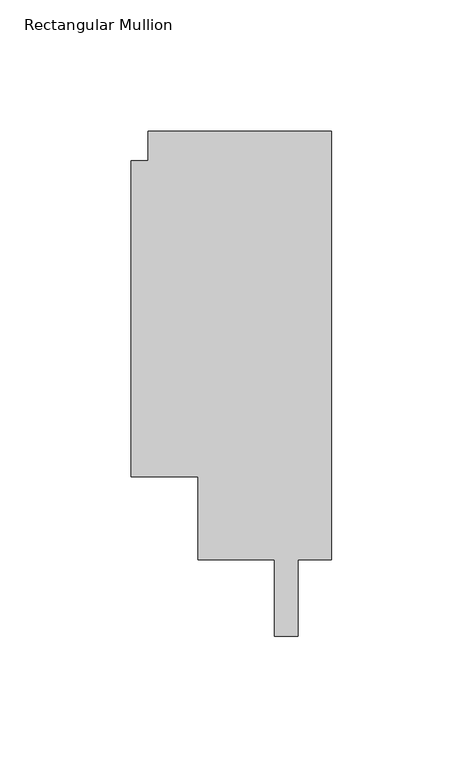
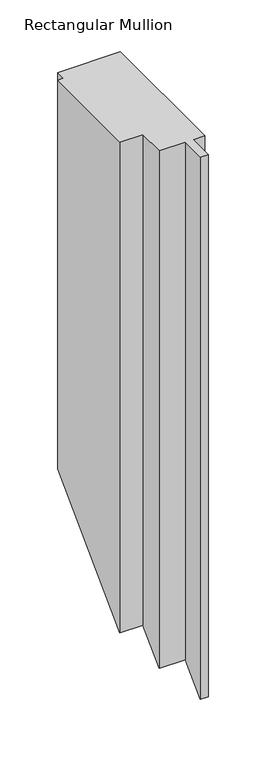
"""IFC4 building model written with IfcOpenShell, lengths in millimetres: member geometry, Rectangular Mullion."""

import ifcopenshell
import ifcopenshell.guid

model = None  # the IFC model being written
_history = None  # IfcOwnerHistory: only IFC2X3 demands one
_inside = {}  # id of a spatial element -> (the spatial element, [elements in it])
_under = {}  # id of a project, library or spatial element -> (it, [spatial elements below it])
_declared = {}  # id of a project -> (the project, [libraries it declares])
_typed = {}  # id of a type object -> (the type object, [elements of that type])
_made_of = {}  # id of a material, layer set ... -> (it, [elements and type objects made of it])


def new_model(schema):
    """Start an empty IFC model of exactly this schema.

    Asked for "IFC4X3", IfcOpenShell would pick the latest addendum, in which some entities
    have other attributes; the version numbers below select the first issue.
    IFC2X3 requires an IfcOwnerHistory on every rooted entity: one is made here for all.
    """
    global model, _history
    if schema == "IFC4X3":
        model = ifcopenshell.file(schema_version=(4, 3, 0, 0))
    else:
        model = ifcopenshell.file(schema=schema)
    _inside.clear()
    _under.clear()
    _declared.clear()
    _typed.clear()
    _made_of.clear()
    _history = None
    if model.schema == "IFC2X3":
        org = make("IfcOrganization", Name="unknown")
        user = make(
            "IfcPersonAndOrganization",
            ThePerson=make("IfcPerson", FamilyName="unknown"),
            TheOrganization=org,
        )
        app = make(
            "IfcApplication",
            ApplicationDeveloper=org,
            Version="unknown",
            ApplicationFullName="unknown",
            ApplicationIdentifier="unknown",
        )
        _history = make(
            "IfcOwnerHistory",
            OwningUser=user,
            OwningApplication=app,
            ChangeAction="ADDED",
            CreationDate=0,
        )
    return model


def make(cls, **values):
    """One entity of the class cls with the attributes given. An attribute that is None is left unset."""
    return model.create_entity(
        cls, **{name: value for name, value in values.items() if value is not None}
    )


def rooted(cls, **values):
    """An entity with a GlobalId (a new one), such as an element, a storey or a relation."""
    return make(cls, GlobalId=ifcopenshell.guid.new(), OwnerHistory=_history, **values)


def si_unit(unit_type, name, prefix=None):
    """IfcSIUnit, for example si_unit("LENGTHUNIT", "METRE", prefix="MILLI")."""
    return make("IfcSIUnit", UnitType=unit_type, Prefix=prefix, Name=name)


def assignment(units):
    """IfcUnitAssignment: the units of a project."""
    return None if units is None else make("IfcUnitAssignment", Units=units)


def point(xyz):
    """IfcCartesianPoint."""
    return None if xyz is None else make("IfcCartesianPoint", Coordinates=xyz)


def direction(xyz):
    """IfcDirection."""
    return None if xyz is None else make("IfcDirection", DirectionRatios=xyz)


def frame(location, z_axis=None, x_axis=None):
    """IfcAxis2Placement3D, a coordinate frame: its origin and axes. An axis left out is left unset."""
    return make(
        "IfcAxis2Placement3D",
        Location=point(location),
        Axis=direction(z_axis),
        RefDirection=direction(x_axis),
    )


def origin():
    """The frame at (0, 0, 0) with its axes left unset."""
    return frame((0.0, 0.0, 0.0))


def place(relative_to, where):
    """IfcLocalPlacement: puts the frame where relative to a parent placement (None: the world)."""
    return make(
        "IfcLocalPlacement", PlacementRelTo=relative_to, RelativePlacement=where
    )


def context(
    kind, dimensions, precision=None, world=None, true_north=None, identifier=None
):
    """IfcGeometricRepresentationContext, for example the 3D "Model" context."""
    return make(
        "IfcGeometricRepresentationContext",
        ContextIdentifier=identifier,
        ContextType=kind,
        CoordinateSpaceDimension=dimensions,
        Precision=precision,
        WorldCoordinateSystem=world,
        TrueNorth=true_north,
    )


def project(units=None, contexts=None):
    """IfcProject with its units and contexts."""
    return rooted(
        "IfcProject",
        Name="project",
        RepresentationContexts=contexts,
        UnitsInContext=assignment(units),
    )


def spatial(cls, under=None, at=None, **own):
    """A site, building, storey or space (cls), placed at a placement, below another one or the project."""
    s = rooted(cls, ObjectPlacement=at, **own)
    if under is not None:
        _under.setdefault(under.id(), (under, []))[1].append(s)
    return s


def faces_of(points, faces, orient=None, outer=None):
    """IfcFace entities. A face is a list of loops; a loop is a list of indices into points, from 0.

    orient and outer hold one flag for each loop. By default every Orientation is true, the
    first loop of a face is its IfcFaceOuterBound and the others are IfcFaceBound.
    """
    made = []
    for i, loops in enumerate(faces):
        bounds = []
        for j, loop in enumerate(loops):
            is_outer = j == 0 if outer is None else outer[i][j]
            bounds.append(
                make(
                    "IfcFaceOuterBound" if is_outer else "IfcFaceBound",
                    Bound=make("IfcPolyLoop", Polygon=[points[k] for k in loop]),
                    Orientation=True if orient is None else orient[i][j],
                )
            )
        made.append(make("IfcFace", Bounds=bounds))
    return made


def faceted_brep(points, faces, orient=None, outer=None, voids=None):
    """IfcFacetedBrep: a solid bounded by flat faces; with voids (closed shells), ...WithVoids."""
    shared = [point(p) for p in points]
    hull = make("IfcClosedShell", CfsFaces=faces_of(shared, faces, orient, outer))
    if voids is None:
        return make("IfcFacetedBrep", Outer=hull)
    return make(
        "IfcFacetedBrepWithVoids",
        Outer=hull,
        Voids=[
            make(cls, CfsFaces=faces_of(shared, fs, o, b)) for cls, fs, o, b in voids
        ],
    )


def shape(context_of_items, identifier, shape_type, items):
    """IfcShapeRepresentation: the items that make up one representation, for example the "Body"."""
    return make(
        "IfcShapeRepresentation",
        ContextOfItems=context_of_items,
        RepresentationIdentifier=identifier,
        RepresentationType=shape_type,
        Items=items,
    )


def source(mapping_origin, context_of_items, identifier, shape_type, items):
    """IfcRepresentationMap: a shape defined once, which mapped items show again and again."""
    return make(
        "IfcRepresentationMap",
        MappingOrigin=mapping_origin,
        MappedRepresentation=shape(context_of_items, identifier, shape_type, items),
    )


def transform(
    local_origin,
    x_axis=None,
    y_axis=None,
    z_axis=None,
    scale=None,
    scale2=None,
    scale3=None,
    uniform=True,
):
    """IfcCartesianTransformationOperator3D, or its non-uniform kind. x_axis, y_axis, z_axis: its Axis1, 2, 3."""
    if uniform:
        return make(
            "IfcCartesianTransformationOperator3D",
            Axis1=direction(x_axis),
            Axis2=direction(y_axis),
            LocalOrigin=point(local_origin),
            Scale=scale,
            Axis3=direction(z_axis),
        )
    return make(
        "IfcCartesianTransformationOperator3DnonUniform",
        Axis1=direction(x_axis),
        Axis2=direction(y_axis),
        LocalOrigin=point(local_origin),
        Scale=scale,
        Axis3=direction(z_axis),
        Scale2=scale2,
        Scale3=scale3,
    )


def mapped(mapping_source, mapping_target):
    """IfcMappedItem: shows the shape of a source again, moved by a transform."""
    return make(
        "IfcMappedItem", MappingSource=mapping_source, MappingTarget=mapping_target
    )


def made_of(thing, what):
    """Note that an element or type object is made of a material, layer set ...; save() writes the relation."""
    if what is not None:
        _made_of.setdefault(what.id(), (what, []))[1].append(thing)
    return thing


def element(
    cls,
    number,
    at=None,
    inside=None,
    cuts=None,
    type_object=None,
    material=None,
    context=None,
    identifier="Body",
    shape_type=None,
    held_by="IfcProductDefinitionShape",
    body=None,
    shapes=None,
    **own,
):
    """One element of the class cls, such as IfcWall. Its Tag is "e" and its number.

    at: its placement. inside: the storey or other place that contains it. cuts: it is an
    opening in that element (IfcRelVoidsElement). A single representation is given by context,
    identifier, shape_type and body (its items); several are given by shapes. held_by: the class
    of the entity that holds the representations. save() writes the other relations.
    """
    e = rooted(cls, Tag="e%d" % number, ObjectPlacement=at, **own)
    if body is not None:
        shapes = [shape(context, identifier, shape_type, body)]
    if shapes is not None:
        e.Representation = make(held_by, Representations=shapes)
    if inside is not None:
        _inside.setdefault(inside.id(), (inside, []))[1].append(e)
    if cuts is not None:
        rooted(
            "IfcRelVoidsElement", RelatingBuildingElement=cuts, RelatedOpeningElement=e
        )
    if type_object is not None:
        _typed.setdefault(type_object.id(), (type_object, []))[1].append(e)
    return made_of(e, material)


def aggregate(whole, parts):
    """IfcRelAggregates: a whole, such as a stair, and the parts it consists of."""
    return rooted("IfcRelAggregates", RelatingObject=whole, RelatedObjects=parts)


def save(model, path):
    """Write the relations noted so far, then the file.

    IfcRelAggregates (storeys below a building ...), IfcRelContainedInSpatialStructure (elements
    in a storey), IfcRelDefinesByType, IfcRelAssociatesMaterial and IfcRelDeclares: one each for
    every whole, place, type object, material and project.
    """
    for whole, parts in _under.values():
        aggregate(whole, parts)
    for where, things in _inside.values():
        rooted(
            "IfcRelContainedInSpatialStructure",
            RelatedElements=things,
            RelatingStructure=where,
        )
    for kind, things in _typed.values():
        rooted("IfcRelDefinesByType", RelatedObjects=things, RelatingType=kind)
    for what, things in _made_of.values():
        rooted("IfcRelAssociatesMaterial", RelatedObjects=things, RelatingMaterial=what)
    for by, libraries in _declared.values():
        rooted("IfcRelDeclares", RelatingContext=by, RelatedDefinitions=libraries)
    model.write(path)


def rectangular_mullion_4d31a3cb(model_context):
    return source(origin(), model_context, "Body", "Brep", [
        faceted_brep([(-69.85, 163.068, 0.0), (-69.85, 151.892, 0.0), (-76.1999999, 151.892, 0.0), (-76.1999999, 31.75, 0.0), (-50.7999999, 31.75, 0.0), (-50.7999999, 0.0, 0.0), (-21.6998673, 0.0, 0.0), (-21.6998673, -29.0594018, 0.0), (-12.7082673, -29.0594018, 0.0), (-12.7082673, 0.0, 0.0), (0.0, 0.0, 0.0), (0.0, 163.068, 0.0), (-69.85, 163.068, -447.030475), (-69.85, 151.892, -458.206475), (-76.1999999, 151.892, -458.206475), (-76.1999999, 31.75, -578.348475), (-50.7999999, 31.75, -578.348475), (-50.7999999, 0.0, -610.098475), (-21.6998673, 0.0, -610.098475), (-21.6998673, -29.0594018, -639.1578768), (-12.7082673, -29.0594018, -639.1578768), (-12.7082673, 0.0, -610.098475), (0.0, 0.0, -610.098475), (0.0, 163.068, -447.030475)], [[[0, 1, 2, 3, 4, 5, 6, 7, 8, 9, 10, 11]], [[1, 0, 12, 13]], [[2, 1, 13, 14]], [[3, 2, 14, 15]], [[4, 3, 15, 16]], [[5, 4, 16, 17]], [[6, 5, 17, 18]], [[7, 6, 18, 19]], [[8, 7, 19, 20]], [[9, 8, 20, 21]], [[10, 9, 21, 22]], [[11, 10, 22, 23]], [[0, 11, 23, 12]], [[12, 23, 22, 21, 20, 19, 18, 17, 16, 15, 14, 13]]]),
    ])


if __name__ == "__main__":
    model = new_model("IFC4")
    model_context = context("Model", 3, world=origin())
    ifc_project = project(units=[si_unit("LENGTHUNIT", "METRE", prefix="MILLI")], contexts=[model_context])
    site = spatial("IfcSite", under=ifc_project)
    building = spatial("IfcBuilding", under=site)
    placement = place(None, origin())
    rectangular_mullion_shape = rectangular_mullion_4d31a3cb(model_context)
    element("IfcMember", 1, ObjectType="Rectangular Mullion", at=placement, inside=building, context=model_context, shape_type="MappedRepresentation", body=[
        mapped(rectangular_mullion_shape, transform((0.0, 0.0, 0.0), x_axis=(1.0, 0.0, 0.0), y_axis=(0.0, 1.0, 0.0), z_axis=(0.0, 0.0, 1.0))),
    ])
    save(model, "model.ifc")
